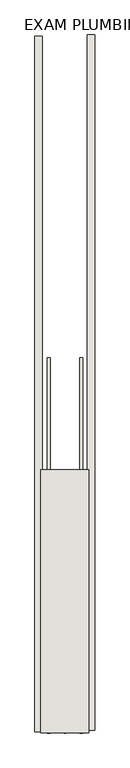
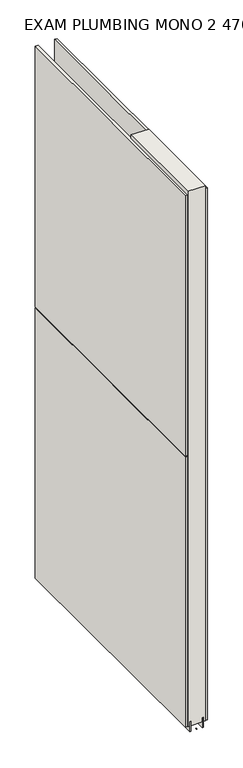
"""IFC4 building model written with IfcOpenShell, lengths in millimetres: wall geometry, EXAM PLUMBING MONO 2 470592 : EXAM PLUMBING MONO 2 470592."""

from ifc_helpers import new_model, si_unit, frame, origin, place, context, project, spatial, polyline, outline, extrude, source, transform, mapped, element, save


def exam_plumbing_mono_2_470592_exam_plumbing_mono_2_470592_c6cebeb7(model_context):
    return source(origin(), model_context, "Body", "SweptSolid", [
        extrude(outline(polyline([(64721.142211, -52171.2763024), (64721.142211, -52168.7363024), (64723.682211, -52168.7363024), (64723.682211, -52171.2763024), (64721.142211, -52171.2763024)])), frame((0.0, 0.0, 4419.6), z_axis=(0.0, 0.0, 1.0), x_axis=(1.0, 0.0, 0.0)), (0.0, 0.0, 1.0), 2.54),
        extrude(outline(polyline([(64773.212211, -50988.2122982), (64773.212211, -52166.8121762), (64760.512211, -52166.8121762), (64760.512211, -50988.2122982), (64773.212211, -50988.2122982)])), frame((0.0, 0.0, 4445.0), z_axis=(0.0, 0.0, 1.0), x_axis=(1.0, 0.0, 0.0)), (0.0, 0.0, 1.0), 2545.0498756),
        extrude(outline(polyline([(64671.612211, -52169.2771446), (64671.612211, -50990.6772666), (64684.312211, -50990.6772666), (64684.312211, -52169.2771446), (64671.612211, -52169.2771446)])), frame((0.0, 0.0, 4445.0), z_axis=(0.0, 0.0, 1.0), x_axis=(1.0, 0.0, 0.0)), (0.0, 0.0, 1.0), 1293.400004),
        extrude(outline(polyline([(64671.612211, -52169.2771446), (64671.612211, -50990.6772666), (64684.312211, -50990.6772666), (64684.312211, -52169.2771446), (64671.612211, -52169.2771446)])), frame((0.0, 0.0, 5742.4000722), z_axis=(0.0, 0.0, 1.0), x_axis=(1.0, 0.0, 0.0)), (0.0, 0.0, 1.0), 1247.649905),
        extrude(outline(polyline([(64747.4959556, -52171.2713494), (64747.4959556, -51534.7706666), (64752.574711, -51534.7706666), (64752.574711, -52171.2713494), (64747.4959556, -52171.2713494)])), frame((0.0, 0.0, 4418.6602), z_axis=(0.0, 0.0, 1.0), x_axis=(1.0, 0.0, 0.0)), (0.0, 0.0, 1.0), 47.625),
        extrude(outline(polyline([(64747.4959556, -52171.2713494), (64747.4959556, -51534.7706666), (64752.574711, -51534.7706666), (64752.574711, -52171.2713494), (64747.4959556, -52171.2713494)])), frame((0.0, 0.0, 4418.6602), z_axis=(0.0, 0.0, 1.0), x_axis=(1.0, 0.0, 0.0)), (0.0, 0.0, 1.0), 47.625),
        extrude(outline(polyline([(64697.3284664, -51534.7706666), (64697.3284664, -52171.2713494), (64692.249711, -52171.2713494), (64692.249711, -51534.7706666), (64697.3284664, -51534.7706666)])), frame((0.0, 0.0, 4418.6602), z_axis=(0.0, 0.0, 1.0), x_axis=(1.0, 0.0, 0.0)), (0.0, 0.0, 1.0), 47.625),
        extrude(outline(polyline([(64697.3284664, -51534.7706666), (64697.3284664, -52171.2713494), (64692.249711, -52171.2713494), (64692.249711, -51534.7706666), (64697.3284664, -51534.7706666)])), frame((0.0, 0.0, 4418.6602), z_axis=(0.0, 0.0, 1.0), x_axis=(1.0, 0.0, 0.0)), (0.0, 0.0, 1.0), 47.625),
        extrude(outline(polyline([(64763.0670954, -52171.2713494), (64681.7573266, -52171.2713494), (64681.7573266, -51725.2706666), (64763.0670954, -51725.2706666), (64763.0670954, -52171.2713494)])), frame((0.0, 0.0, 4445.0), z_axis=(0.0, 0.0, 1.0), x_axis=(1.0, 0.0, 0.0)), (0.0, 0.0, 1.0), 2562.4536762),
    ])


if __name__ == "__main__":
    model = new_model("IFC4")
    model_context = context("Model", 3, world=origin())
    ifc_project = project(units=[si_unit("LENGTHUNIT", "METRE", prefix="MILLI")], contexts=[model_context])
    site = spatial("IfcSite", under=ifc_project)
    building = spatial("IfcBuilding", under=site)
    placement = place(None, origin())
    exam_plumbing_mono_2_470592_exam_plumbing_mono_2_470592_shape = exam_plumbing_mono_2_470592_exam_plumbing_mono_2_470592_c6cebeb7(model_context)
    element("IfcWall", 1, ObjectType="EXAM PLUMBING MONO 2 470592 : EXAM PLUMBING MONO 2 470592", at=placement, inside=building, context=model_context, shape_type="MappedRepresentation", body=[
        mapped(exam_plumbing_mono_2_470592_exam_plumbing_mono_2_470592_shape, transform((0.0, 0.0, 0.0), x_axis=(1.0, 0.0, 0.0), y_axis=(0.0, 1.0, 0.0), z_axis=(0.0, 0.0, 1.0))),
    ])
    save(model, "model.ifc")
